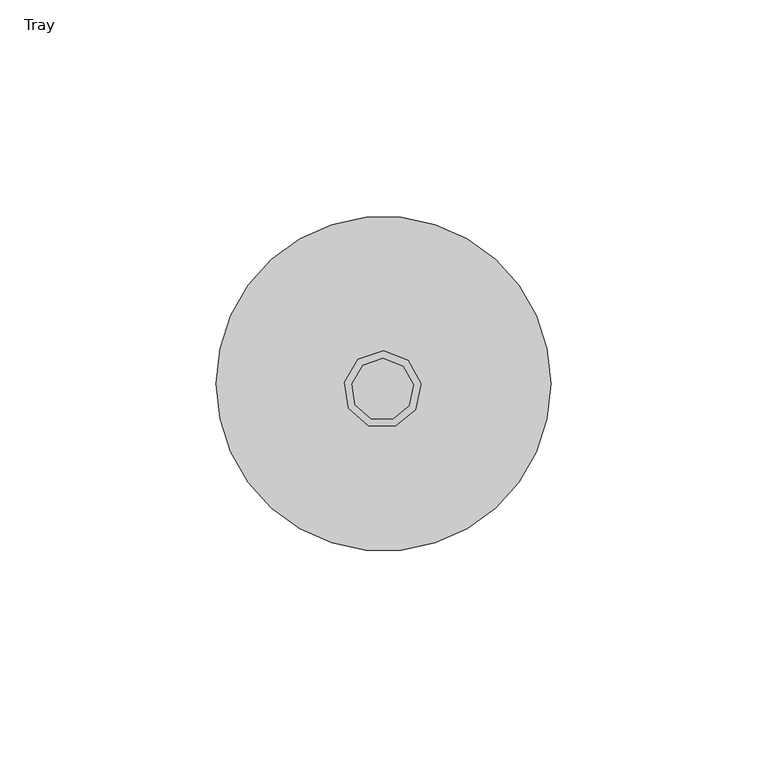
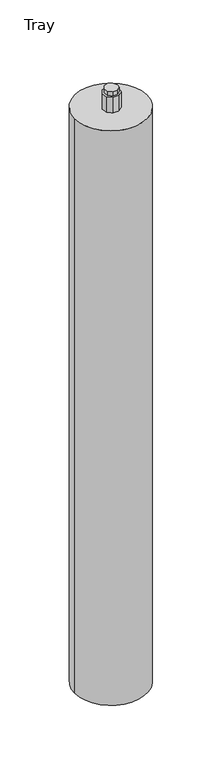
"""IFC4 building model written with IfcOpenShell, lengths in millimetres: furniture geometry, Tray."""

from ifc_helpers import new_model, si_unit, point, frame, frame_2d, origin, origin_with_axes, place, context, project, spatial, polyline, circle_curve, trimmed, segment, composite_curve, outline, extrude, source, transform, mapped, element, save


def tray_595e8f1f(model_context):
    return source(origin(), model_context, "Body", "SweptSolid", [
        extrude(outline(composite_curve([segment(trimmed(circle_curve(frame_2d((0.0, 1.25)), 38.6533547), [point((-38.6533547, 1.25))], [point((38.6533547, 1.25))], False, "CARTESIAN"), True, "CONTINUOUS"), segment(trimmed(circle_curve(frame_2d((0.0, 1.25)), 38.6533547), [point((38.6533547, 1.25))], [point((-38.6533547, 1.25))], False, "CARTESIAN"), True, "CONTINUOUS")], self_intersect=False)), origin_with_axes(), (0.0, 0.0, 1.0), 650.1834818),
        extrude(outline(polyline([(-5.859409, 6.8810836), (-0.0475324, 8.8573998), (5.674975, 6.6355435), (8.6304883, 1.2551461), (7.43609, -4.7662448), (2.6506524, -8.6111535), (-3.4866652, -8.4805043), (-8.1041435, -4.4354296), (-9.0412133, 1.6313352), (-5.859409, 6.8810836)])), frame((0.0, 0.0, 650.1834818), z_axis=(0.0, 0.0, 1.0), x_axis=(1.0, 0.0, 0.0)), (0.0, 0.0, 1.0), 18.0),
        extrude(outline(polyline([(-0.0852397, 7.0860762), (4.5075046, 5.3028688), (6.8795273, 0.9846935), (5.9209325, -3.8479275), (2.0802573, -6.9337571), (-2.8454035, -6.8289013), (-6.5512787, -3.5824234), (-7.3033479, 1.2866137), (-4.7497097, 5.4999332), (-0.0852397, 7.0860762)])), frame((0.0, 0.0, 668.1834818), z_axis=(0.0, 0.0, 1.0), x_axis=(1.0, 0.0, 0.0)), (0.0, 0.0, 1.0), 5.0),
    ])


if __name__ == "__main__":
    model = new_model("IFC4")
    model_context = context("Model", 3, world=origin())
    ifc_project = project(units=[si_unit("LENGTHUNIT", "METRE", prefix="MILLI")], contexts=[model_context])
    site = spatial("IfcSite", under=ifc_project)
    building = spatial("IfcBuilding", under=site)
    placement = place(None, origin())
    tray_shape = tray_595e8f1f(model_context)
    element("IfcFurniture", 1, ObjectType="Tray", at=placement, inside=building, context=model_context, shape_type="MappedRepresentation", body=[
        mapped(tray_shape, transform((0.0, 0.0, 0.0), x_axis=(1.0, 0.0, 0.0), y_axis=(0.0, 1.0, 0.0), z_axis=(0.0, 0.0, 1.0))),
    ])
    save(model, "model.ifc")
